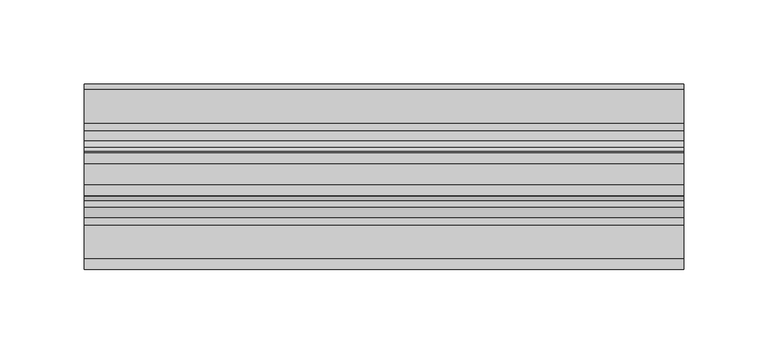
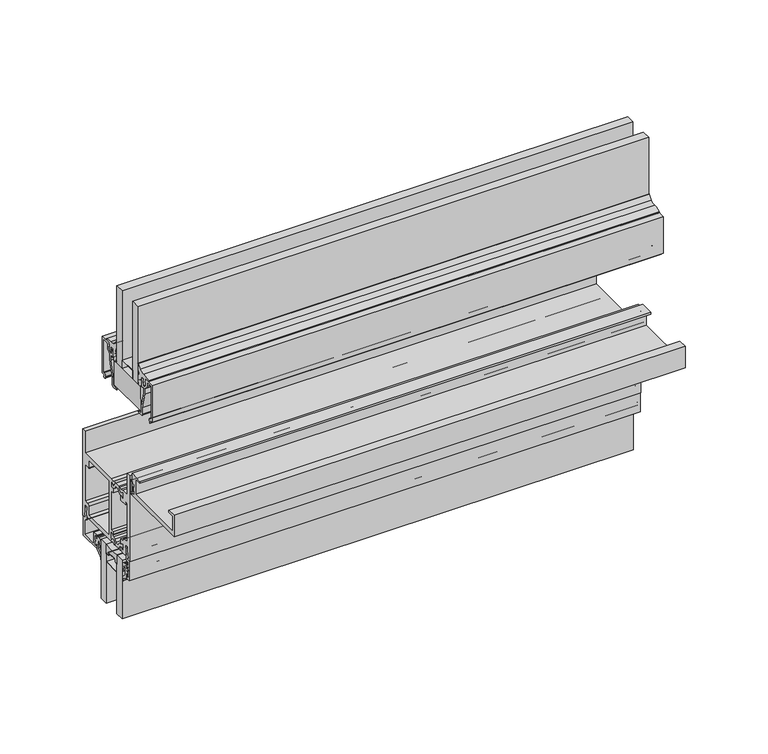
"""IFC4 building model written with IfcOpenShell, lengths in millimetres: plate geometry."""

from ifc_helpers import new_model, si_unit, point, frame, frame_2d, origin, place, context, project, spatial, polyline, circle_curve, trimmed, segment, composite_curve, outline, extrude, source, transform, mapped, element, save


def plate_f7a8684f(model_context):
    return source(origin(), model_context, "Body", "SweptSolid", [
        extrude(outline(composite_curve([segment(trimmed(circle_curve(frame_2d((-12.7, 252.348624)), 24.4943092), [point((-19.05, 228.6917289))], [point((-6.35, 228.6917289))], True, "CARTESIAN"), True, "CONTINUOUS"), segment(polyline([(-6.35, 228.6917289), (-6.35, 221.663957)]), True, "CONTINUOUS"), segment(trimmed(circle_curve(frame_2d((-7.14375, 221.663957)), 0.79375), [point((-6.35, 221.663957))], [point((-7.14375, 222.457707))], True, "CARTESIAN"), True, "CONTINUOUS"), segment(polyline([(-7.14375, 222.457707), (-8.3728775, 222.457707), (-8.3728775, 223.5556044)]), True, "CONTINUOUS"), segment(trimmed(circle_curve(frame_2d((-9.1666275, 223.5556044)), 0.79375), [point((-8.3728775, 223.5556044))], [point((-9.1666275, 224.3493544))], True, "CARTESIAN"), True, "CONTINUOUS"), segment(polyline([(-9.1666275, 224.3493544), (-16.2333725, 224.3493544)]), True, "CONTINUOUS"), segment(trimmed(circle_curve(frame_2d((-16.2333725, 223.5556044)), 0.79375), [point((-16.2333725, 224.3493544))], [point((-17.0271225, 223.5556044))], True, "CARTESIAN"), True, "CONTINUOUS"), segment(polyline([(-17.0271225, 223.5556044), (-17.0271225, 222.457707), (-18.25625, 222.457707)]), True, "CONTINUOUS"), segment(trimmed(circle_curve(frame_2d((-18.25625, 221.663957)), 0.79375), [point((-18.25625, 222.457707))], [point((-19.05, 221.663957))], True, "CARTESIAN"), True, "CONTINUOUS"), segment(polyline([(-19.05, 221.663957), (-19.05, 228.6917289)]), True, "CONTINUOUS")], self_intersect=False)), frame((-177.8, 0.0, 0.0), z_axis=(1.0, 0.0, 0.0), x_axis=(0.0, 1.0, 0.0)), (0.0, 0.0, 1.0), 355.6),
        extrude(outline(polyline([(-15.7276799, 352.0722153), (-47.5894399, 352.0722153), (-47.4776799, 369.5347153), (-15.7276799, 369.5347153), (-15.7276799, 352.0722153)])), frame((-177.8, 0.0, 0.0), z_axis=(1.0, 0.0, 0.0), x_axis=(0.0, 1.0, 0.0)), (0.0, 0.0, 1.0), 355.6),
        extrude(outline(composite_curve([segment(polyline([(-34.9514484, 293.1066499), (-34.9514484, 285.1817967)]), True, "CONTINUOUS"), segment(trimmed(circle_curve(frame_2d((-36.1452484, 285.1817967)), 1.1938), [point((-34.9514484, 285.1817967))], [point((-37.3390484, 285.1817967))], False, "CARTESIAN"), True, "CONTINUOUS"), segment(polyline([(-37.3390484, 285.1817967), (-37.3390484, 287.1879153), (-38.31675, 287.1879153), (-38.31675, 285.7147153), (-39.2186484, 285.7147153), (-39.2186484, 287.5689153), (-37.7962484, 287.5689153), (-37.7962484, 290.7185153), (-39.2186484, 290.7185153), (-39.2186484, 292.5727153), (-38.31675, 292.5727153), (-38.31675, 291.0995153), (-37.3390484, 291.0995153), (-37.3390484, 293.1066499)]), True, "CONTINUOUS"), segment(trimmed(circle_curve(frame_2d((-36.1452484, 293.1066499)), 1.1938), [point((-37.3390484, 293.1066499))], [point((-34.9514484, 293.1066499))], False, "CARTESIAN"), True, "CONTINUOUS")], self_intersect=False), holes=[composite_curve([segment(trimmed(circle_curve(frame_2d((-36.1452484, 293.1066499)), 0.6858), [point((-35.4594484, 293.1066499))], [point((-36.8310484, 293.1066499))], True, "CARTESIAN"), True, "CONTINUOUS"), segment(polyline([(-36.8310484, 293.1066499), (-36.8310484, 285.1817967)]), True, "CONTINUOUS"), segment(trimmed(circle_curve(frame_2d((-36.1452484, 285.1817967)), 0.6858), [point((-36.8310484, 285.1817967))], [point((-35.4594484, 285.1817967))], True, "CARTESIAN"), True, "CONTINUOUS"), segment(polyline([(-35.4594484, 285.1817967), (-35.4594484, 293.1066499)]), True, "CONTINUOUS")], self_intersect=False)]), frame((-177.8, 0.0, 0.0), z_axis=(1.0, 0.0, 0.0), x_axis=(0.0, 1.0, 0.0)), (0.0, 0.0, 1.0), 355.6),
        extrude(outline(polyline([(-37.9526799, 375.8847153), (-25.2526799, 375.8847153), (-25.2526799, 369.5347153), (-37.9526799, 369.5347153), (-37.9526799, 375.8847153)]), holes=[polyline([(-37.7314801, 375.6717755), (-37.7314801, 369.6999055), (-25.4526847, 369.6999055), (-25.4526847, 375.6717755), (-37.7314801, 375.6717755)])]), frame((-177.8, 0.0, 0.0), z_axis=(1.0, 0.0, 0.0), x_axis=(0.0, 1.0, 0.0)), (0.0, 0.0, 1.0), 355.6),
        extrude(outline(polyline([(-177.8, -25.2526799), (-177.8, -18.9026799), (177.8, -18.9026799), (177.8, -25.2526799), (-177.8, -25.2526799)])), frame((0.0, 0.0, 369.5347153), z_axis=(0.0, 0.0, 1.0), x_axis=(1.0, 0.0, 0.0)), (0.0, 0.0, 1.0), 57.15),
        extrude(outline(polyline([(-177.8, -44.3026799), (-177.8, -37.9526799), (177.8, -37.9526799), (177.8, -44.3026799), (-177.8, -44.3026799)])), frame((0.0, 0.0, 369.5347153), z_axis=(0.0, 0.0, 1.0), x_axis=(1.0, 0.0, 0.0)), (0.0, 0.0, 1.0), 57.15),
        extrude(outline(composite_curve([segment(trimmed(circle_curve(frame_2d((-13.6651999, 376.8225309)), 0.508), [point((-14.1731999, 376.8225309))], [point((-13.6651999, 377.3305309))], False, "CARTESIAN"), True, "CONTINUOUS"), segment(polyline([(-13.6651999, 377.3305309), (-12.4205999, 377.3305309), (-12.4205999, 376.5177309), (-13.2068092, 376.5177309), (-13.2068092, 375.7170136), (-12.4992779, 372.4938153), (-11.0235999, 372.4938153), (-9.1439999, 374.3663756), (-9.1439999, 376.4562153), (-10.0569374, 376.4562153), (-9.1417677, 379.0597153), (-1.4731999, 379.0597153), (-1.4731999, 352.0737406), (-3.9823329, 352.0737406), (-3.1851555, 350.6967979), (-3.8661393, 350.0158142)]), True, "CONTINUOUS"), segment(trimmed(circle_curve(frame_2d((-4.2232428, 350.3771189)), 0.508), [point((-3.8661393, 350.0158142))], [point((-4.7005125, 350.2031143))], False, "CARTESIAN"), True, "CONTINUOUS"), segment(polyline([(-4.7005125, 350.2031143), (-5.136331, 351.3985022)]), True, "CONTINUOUS"), segment(trimmed(circle_curve(frame_2d((-3.7761123, 351.8944153)), 1.4478), [point((-5.136331, 351.3985022))], [point((-3.7761123, 353.3422153))], False, "CARTESIAN"), True, "CONTINUOUS"), segment(polyline([(-3.7761123, 353.3422153), (-2.7431999, 353.3422153), (-2.7431999, 377.7897153), (-7.2389999, 377.7897153)]), True, "CONTINUOUS"), segment(trimmed(circle_curve(frame_2d((-7.2389999, 377.1547153)), 0.635), [point((-7.2389999, 377.7897153))], [point((-7.8739999, 377.1547153))], True, "CARTESIAN"), True, "CONTINUOUS"), segment(polyline([(-7.8739999, 377.1547153), (-7.8739999, 374.6354421)]), True, "CONTINUOUS"), segment(trimmed(circle_curve(frame_2d((-9.7789999, 374.6354421)), 1.905), [point((-7.8739999, 374.6354421))], [point((-8.4319614, 373.2884037))], False, "CARTESIAN"), True, "CONTINUOUS"), segment(polyline([(-8.4319614, 373.2884037), (-10.3632634, 371.3571018), (-10.3632634, 367.2949535), (-13.5573134, 355.5538035), (-13.5573134, 350.8784153)]), True, "CONTINUOUS"), segment(trimmed(circle_curve(frame_2d((-14.8273134, 350.8784153)), 1.27), [point((-13.5573134, 350.8784153))], [point((-14.8273134, 349.6084153))], False, "CARTESIAN"), True, "CONTINUOUS"), segment(polyline([(-14.8273134, 349.6084153), (-17.9959634, 349.6084153)]), True, "CONTINUOUS"), segment(trimmed(circle_curve(frame_2d((-17.9959634, 349.9894153)), 0.381), [point((-17.9959634, 349.6084153))], [point((-18.1152217, 350.3512695))], False, "CARTESIAN"), True, "CONTINUOUS"), segment(polyline([(-18.1152217, 350.3512695), (-14.8273134, 351.2340153), (-14.8273134, 355.7234653), (-11.6332634, 367.4646153), (-11.6332634, 371.4754927), (-13.2079999, 371.4754927), (-13.2079999, 370.6650153)]), True, "CONTINUOUS"), segment(trimmed(circle_curve(frame_2d((-13.2079999, 371.6302153)), 0.9652), [point((-13.2079999, 370.6650153))], [point((-14.1731999, 371.6302153))], False, "CARTESIAN"), True, "CONTINUOUS"), segment(polyline([(-14.1731999, 371.6302153), (-14.1731999, 376.8225309)]), True, "CONTINUOUS")], self_intersect=False)), frame((-177.8, 0.0, 0.0), z_axis=(1.0, 0.0, 0.0), x_axis=(0.0, 1.0, 0.0)), (0.0, 0.0, 1.0), 355.6),
        extrude(outline(composite_curve([segment(polyline([(-49.0321599, 376.8225309), (-49.0321599, 371.6302153)]), True, "CONTINUOUS"), segment(trimmed(circle_curve(frame_2d((-49.9973599, 371.6302153)), 0.9652), [point((-49.0321599, 371.6302153))], [point((-49.9973599, 370.6650153))], False, "CARTESIAN"), True, "CONTINUOUS"), segment(polyline([(-49.9973599, 370.6650153), (-49.9973599, 371.4754927), (-51.5720964, 371.4754927), (-51.5720964, 367.4646153), (-48.3780464, 355.7234653), (-48.3780464, 351.2340153), (-45.090138, 350.3512695)]), True, "CONTINUOUS"), segment(trimmed(circle_curve(frame_2d((-45.2093964, 349.9894153)), 0.381), [point((-45.090138, 350.3512695))], [point((-45.2093964, 349.6084153))], False, "CARTESIAN"), True, "CONTINUOUS"), segment(polyline([(-45.2093964, 349.6084153), (-48.3780464, 349.6084153)]), True, "CONTINUOUS"), segment(trimmed(circle_curve(frame_2d((-48.3780464, 350.8784153)), 1.27), [point((-48.3780464, 349.6084153))], [point((-49.6480464, 350.8784153))], False, "CARTESIAN"), True, "CONTINUOUS"), segment(polyline([(-49.6480464, 350.8784153), (-49.6480464, 355.5538035), (-52.8420964, 367.2949535), (-52.8420964, 371.3571018), (-54.7733983, 373.2884037)]), True, "CONTINUOUS"), segment(trimmed(circle_curve(frame_2d((-53.4263599, 374.6354421)), 1.905), [point((-54.7733983, 373.2884037))], [point((-55.3313599, 374.6354421))], False, "CARTESIAN"), True, "CONTINUOUS"), segment(polyline([(-55.3313599, 374.6354421), (-55.3313599, 377.1547153)]), True, "CONTINUOUS"), segment(trimmed(circle_curve(frame_2d((-55.9663599, 377.1547153)), 0.635), [point((-55.3313599, 377.1547153))], [point((-55.9663599, 377.7897153))], True, "CARTESIAN"), True, "CONTINUOUS"), segment(polyline([(-55.9663599, 377.7897153), (-60.4621599, 377.7897153), (-60.4621599, 353.3422153), (-59.4292474, 353.3422153)]), True, "CONTINUOUS"), segment(trimmed(circle_curve(frame_2d((-59.4292474, 351.8944153)), 1.4478), [point((-59.4292474, 353.3422153))], [point((-58.0690287, 351.3985022))], False, "CARTESIAN"), True, "CONTINUOUS"), segment(polyline([(-58.0690287, 351.3985022), (-58.5048472, 350.2031143)]), True, "CONTINUOUS"), segment(trimmed(circle_curve(frame_2d((-58.982117, 350.3771189)), 0.508), [point((-58.5048472, 350.2031143))], [point((-59.3392204, 350.0158142))], False, "CARTESIAN"), True, "CONTINUOUS"), segment(polyline([(-59.3392204, 350.0158142), (-60.0202042, 350.6967979), (-59.2230268, 352.0737406), (-61.7321599, 352.0737406), (-61.7321599, 379.0597153), (-54.063592, 379.0597153), (-53.1484223, 376.4562153), (-54.0613599, 376.4562153), (-54.0613599, 374.3663756), (-52.1817599, 372.4938153), (-50.7060818, 372.4938153), (-49.9985505, 375.7170136), (-49.9985505, 376.5177309), (-50.7847599, 376.5177309), (-50.7847599, 377.3305309), (-49.5401599, 377.3305309)]), True, "CONTINUOUS"), segment(trimmed(circle_curve(frame_2d((-49.5401599, 376.8225309)), 0.508), [point((-49.5401599, 377.3305309))], [point((-49.0321599, 376.8225309))], False, "CARTESIAN"), True, "CONTINUOUS")], self_intersect=False)), frame((-177.8, 0.0, 0.0), z_axis=(1.0, 0.0, 0.0), x_axis=(0.0, 1.0, 0.0)), (0.0, 0.0, 1.0), 355.6),
        extrude(outline(composite_curve([segment(trimmed(circle_curve(frame_2d((-28.4481661, 374.5867579)), 11.8511576), [point((-16.8958445, 377.2313378))], [point((-17.4519801, 379.0064672))], True, "CARTESIAN"), True, "CONTINUOUS"), segment(polyline([(-17.4519801, 379.0064672), (-18.4299611, 380.528582)]), True, "CONTINUOUS"), segment(trimmed(circle_curve(frame_2d((-16.8225569, 381.7608857)), 2.0254186), [point((-18.4299611, 380.528582))], [point((-18.8453216, 381.6572349))], False, "CARTESIAN"), True, "CONTINUOUS"), segment(polyline([(-18.8453216, 381.6572349), (-18.8854469, 384.9398531)]), True, "CONTINUOUS"), segment(trimmed(circle_curve(frame_2d((-18.4885719, 384.9398531)), 0.396875), [point((-18.8854469, 384.9398531))], [point((-18.2267159, 385.2380832))], False, "CARTESIAN"), True, "CONTINUOUS"), segment(polyline([(-18.2267159, 385.2380832), (-15.799611, 382.4201915)]), True, "CONTINUOUS"), segment(trimmed(circle_curve(frame_2d((-12.5240284, 385.8820309)), 4.765897), [point((-15.799611, 382.4201915))], [point((-11.8985378, 381.1573579))], True, "CARTESIAN"), True, "CONTINUOUS"), segment(trimmed(circle_curve(frame_2d((-11.5246073, 368.9668204)), 12.196271), [point((-11.8985378, 381.1573579))], [point((-6.0059562, 379.8431028))], False, "CARTESIAN"), True, "CONTINUOUS"), segment(polyline([(-6.0059562, 379.8431028), (-5.7496564, 379.0554604), (-7.6687501, 379.1311821), (-9.2931528, 379.0012681), (-10.1545373, 376.2948547), (-9.3686823, 376.1701754), (-10.2392565, 375.1755258), (-9.4887146, 374.9366468), (-10.9893863, 373.1755062), (-12.6224939, 374.6122187), (-11.8406254, 375.1533533), (-12.6690337, 376.0998275), (-11.6936669, 376.2217125), (-12.2509631, 377.5835919), (-14.1139708, 377.5835919), (-14.1139708, 375.1527405)]), True, "CONTINUOUS"), segment(trimmed(circle_curve(frame_2d((-31.5769474, 376.4603355)), 17.5118633), [point((-14.1139708, 375.1527405))], [point((-15.1612753, 370.3618876))], False, "CARTESIAN"), True, "CONTINUOUS"), segment(trimmed(circle_curve(frame_2d((-16.4644062, 370.8573418)), 1.3941395), [point((-15.1612753, 370.3618876))], [point((-17.7675371, 370.3618876))], False, "CARTESIAN"), True, "CONTINUOUS"), segment(trimmed(circle_curve(frame_2d((0.2712904, 376.9366907)), 19.1996701), [point((-17.7675371, 370.3618876))], [point((-18.8453216, 375.1527405))], False, "CARTESIAN"), True, "CONTINUOUS"), segment(polyline([(-18.8453216, 375.1527405), (-18.8453216, 378.5625793)]), True, "CONTINUOUS"), segment(trimmed(circle_curve(frame_2d((-18.5228363, 378.5509624)), 0.3226944), [point((-18.8453216, 378.5625793))], [point((-18.2140666, 378.4571917))], False, "CARTESIAN"), True, "CONTINUOUS"), segment(polyline([(-18.2140666, 378.4571917), (-17.1362265, 374.4176171)]), True, "CONTINUOUS"), segment(trimmed(circle_curve(frame_2d((-16.8421637, 374.5499125)), 0.3224516), [point((-17.1362265, 374.4176171))], [point((-16.5228912, 374.5950802))], True, "CARTESIAN"), True, "CONTINUOUS"), segment(polyline([(-16.5228912, 374.5950802), (-16.8958445, 377.2313378)]), True, "CONTINUOUS")], self_intersect=False)), frame((-177.8, 0.0, 0.0), z_axis=(1.0, 0.0, 0.0), x_axis=(0.0, 1.0, 0.0)), (0.0, 0.0, 1.0), 355.6),
        extrude(outline(composite_curve([segment(polyline([(-46.2824971, 377.2313378), (-46.6554504, 374.5950802)]), True, "CONTINUOUS"), segment(trimmed(circle_curve(frame_2d((-46.3361779, 374.5499125)), 0.3224516), [point((-46.6554504, 374.5950802))], [point((-46.042115, 374.4176171))], True, "CARTESIAN"), True, "CONTINUOUS"), segment(polyline([(-46.042115, 374.4176171), (-44.964275, 378.4571917)]), True, "CONTINUOUS"), segment(trimmed(circle_curve(frame_2d((-44.6555052, 378.5509624)), 0.3226944), [point((-44.964275, 378.4571917))], [point((-44.33302, 378.5625793))], False, "CARTESIAN"), True, "CONTINUOUS"), segment(polyline([(-44.33302, 378.5625793), (-44.33302, 375.1527405)]), True, "CONTINUOUS"), segment(trimmed(circle_curve(frame_2d((-63.4496319, 376.9366907)), 19.1996701), [point((-44.33302, 375.1527405))], [point((-45.4108045, 370.3618876))], False, "CARTESIAN"), True, "CONTINUOUS"), segment(trimmed(circle_curve(frame_2d((-46.7139354, 370.8573418)), 1.3941395), [point((-45.4108045, 370.3618876))], [point((-48.0170662, 370.3618876))], False, "CARTESIAN"), True, "CONTINUOUS"), segment(trimmed(circle_curve(frame_2d((-31.6013942, 376.4603355)), 17.5118633), [point((-48.0170662, 370.3618876))], [point((-49.0643708, 375.1527405))], False, "CARTESIAN"), True, "CONTINUOUS"), segment(polyline([(-49.0643708, 375.1527405), (-49.0643708, 377.5835919), (-50.9273784, 377.5835919), (-51.4846746, 376.2217125), (-50.5093079, 376.0998275), (-51.3377162, 375.1533533), (-50.5558476, 374.6122187), (-52.1889552, 373.1755062), (-53.689627, 374.9366468), (-52.939085, 375.1755258), (-53.8096592, 376.1701754), (-53.0238043, 376.2948547), (-53.8851888, 379.0012681), (-55.5095914, 379.1311821), (-57.4286851, 379.0554604), (-57.1723854, 379.8431028)]), True, "CONTINUOUS"), segment(trimmed(circle_curve(frame_2d((-51.6537343, 368.9668204)), 12.196271), [point((-57.1723854, 379.8431028))], [point((-51.2798038, 381.1573579))], False, "CARTESIAN"), True, "CONTINUOUS"), segment(trimmed(circle_curve(frame_2d((-50.6543132, 385.8820309)), 4.765897), [point((-51.2798038, 381.1573579))], [point((-47.3787305, 382.4201915))], True, "CARTESIAN"), True, "CONTINUOUS"), segment(polyline([(-47.3787305, 382.4201915), (-44.9516257, 385.2380832)]), True, "CONTINUOUS"), segment(trimmed(circle_curve(frame_2d((-44.6897696, 384.9398531)), 0.396875), [point((-44.9516257, 385.2380832))], [point((-44.2928946, 384.9398531))], False, "CARTESIAN"), True, "CONTINUOUS"), segment(polyline([(-44.2928946, 384.9398531), (-44.33302, 381.6572349)]), True, "CONTINUOUS"), segment(trimmed(circle_curve(frame_2d((-46.3557847, 381.7608857)), 2.0254186), [point((-44.33302, 381.6572349))], [point((-44.7483805, 380.528582))], False, "CARTESIAN"), True, "CONTINUOUS"), segment(polyline([(-44.7483805, 380.528582), (-45.7263615, 379.0064672)]), True, "CONTINUOUS"), segment(trimmed(circle_curve(frame_2d((-34.7301755, 374.5867579)), 11.8511576), [point((-45.7263615, 379.0064672))], [point((-46.2824971, 377.2313378))], True, "CARTESIAN"), True, "CONTINUOUS")], self_intersect=False)), frame((-177.8, 0.0, 0.0), z_axis=(1.0, 0.0, 0.0), x_axis=(0.0, 1.0, 0.0)), (0.0, 0.0, 1.0), 355.6),
        extrude(outline(polyline([(-15.7276799, 369.5347153), (-15.7276799, 352.0722153), (-47.5894399, 352.0722153), (-47.4776799, 369.5347153), (-15.7276799, 369.5347153)])), frame((-177.8, 0.0, 0.0), z_axis=(1.0, 0.0, 0.0), x_axis=(0.0, 1.0, 0.0)), (0.0, 0.0, 1.0), 355.6),
        extrude(outline(polyline([(-177.8, -6.35), (-177.8, 0.0), (177.8, 0.0), (177.8, -6.35), (-177.8, -6.35)])), frame((0.0, 0.0, 185.3847153), z_axis=(0.0, 0.0, 1.0), x_axis=(1.0, 0.0, 0.0)), (0.0, 0.0, 1.0), 43.3070136),
        extrude(outline(polyline([(-177.8, -25.4), (-177.8, -19.05), (177.8, -19.05), (177.8, -25.4), (-177.8, -25.4)])), frame((0.0, 0.0, 185.3847153), z_axis=(0.0, 0.0, 1.0), x_axis=(1.0, 0.0, 0.0)), (0.0, 0.0, 1.0), 43.3070136),
        extrude(outline(composite_curve([segment(polyline([(1.2146236, 217.7547881), (3.6195019, 220.0298082), (3.6195019, 223.3964394)]), True, "CONTINUOUS"), segment(trimmed(circle_curve(frame_2d((3.9370017, 223.7514153)), 0.47625), [point((3.6195019, 223.3964394))], [point((3.619501, 224.1063905))], True, "CARTESIAN"), True, "CONTINUOUS"), segment(polyline([(3.619501, 224.1063905), (3.619501, 225.6894264)]), True, "CONTINUOUS"), segment(trimmed(circle_curve(frame_2d((3.1116463, 224.2840488)), 1.4943235), [point((3.619501, 225.6894264))], [point((1.6174209, 224.301171))], True, "CARTESIAN"), True, "CONTINUOUS"), segment(polyline([(1.6174209, 224.301171), (0.5798898, 220.9663861)]), True, "CONTINUOUS"), segment(trimmed(circle_curve(frame_2d((0.2963183, 221.0546119)), 0.2969791), [point((0.5798898, 220.9663861))], [point((0.0, 221.0348119))], False, "CARTESIAN"), True, "CONTINUOUS"), segment(polyline([(0.0, 221.0348119), (0.0, 225.0824819)]), True, "CONTINUOUS"), segment(trimmed(circle_curve(frame_2d((2.8819649, 225.2349635)), 2.8859959), [point((0.0, 225.0824819))], [point((2.7993723, 228.1197774))], False, "CARTESIAN"), True, "CONTINUOUS"), segment(polyline([(2.7993723, 228.1197774), (3.619501, 228.1432578), (4.7625003, 228.1432578), (4.7625003, 225.2246164), (6.1341013, 225.2246164), (6.1341013, 226.5374454)]), True, "CONTINUOUS"), segment(trimmed(circle_curve(frame_2d((6.4896997, 226.8248149)), 0.4571996), [point((6.1341013, 226.5374454))], [point((6.9468994, 226.8248149))], False, "CARTESIAN"), True, "CONTINUOUS"), segment(polyline([(6.9468994, 226.8248149), (6.9468994, 224.7570221)]), True, "CONTINUOUS"), segment(trimmed(circle_curve(frame_2d((6.4706494, 224.7065795)), 0.4789139), [point((6.9468994, 224.7570221))], [point((6.4706494, 224.2276656))], False, "CARTESIAN"), True, "CONTINUOUS"), segment(trimmed(circle_curve(frame_2d((6.4706494, 223.7514156)), 0.47625), [point((6.4706494, 224.2276656))], [point((6.4706494, 223.2751656))], True, "CARTESIAN"), True, "CONTINUOUS"), segment(trimmed(circle_curve(frame_2d((6.3248962, 222.6704806)), 0.6220032), [point((6.4706494, 223.2751656))], [point((6.9468994, 222.6704806))], False, "CARTESIAN"), True, "CONTINUOUS"), segment(polyline([(6.9468994, 222.6704806), (6.9468994, 220.6780162)]), True, "CONTINUOUS"), segment(trimmed(circle_curve(frame_2d((6.4896997, 220.6780162)), 0.4571996), [point((6.9468994, 220.6780162))], [point((6.134102, 220.9653866))], False, "CARTESIAN"), True, "CONTINUOUS"), segment(polyline([(6.134102, 220.9653866), (6.134102, 222.2782299), (4.7625003, 222.2782299), (4.7625003, 218.4065425), (1.4889495, 215.9053304)]), True, "CONTINUOUS"), segment(trimmed(circle_curve(frame_2d((3.0879023, 213.93243)), 2.5394854), [point((1.4889495, 215.9053304))], [point((0.5496136, 213.8544755))], True, "CARTESIAN"), True, "CONTINUOUS"), segment(trimmed(circle_curve(frame_2d((0.2748716, 213.8460377)), 0.2748716), [point((0.5496136, 213.8544755))], [point((0.0, 213.8460377))], False, "CARTESIAN"), True, "CONTINUOUS"), segment(polyline([(0.0, 213.8460377), (0.0, 215.5592614)]), True, "CONTINUOUS"), segment(trimmed(circle_curve(frame_2d((3.0412561, 215.3105023)), 3.0514128), [point((0.0, 215.5592614))], [point((1.2146236, 217.7547881))], False, "CARTESIAN"), True, "CONTINUOUS")], self_intersect=False)), frame((-177.8, 0.0, 0.0), z_axis=(1.0, 0.0, 0.0), x_axis=(0.0, 1.0, 0.0)), (0.0, 0.0, 1.0), 355.6),
        extrude(outline(composite_curve([segment(trimmed(circle_curve(frame_2d((-28.4412561, 215.3105023)), 3.0514128), [point((-26.6146236, 217.7547881))], [point((-25.4, 215.5592614))], False, "CARTESIAN"), True, "CONTINUOUS"), segment(polyline([(-25.4, 215.5592614), (-25.4, 213.8460377)]), True, "CONTINUOUS"), segment(trimmed(circle_curve(frame_2d((-25.6748716, 213.8460377)), 0.2748716), [point((-25.4, 213.8460377))], [point((-25.9496136, 213.8544755))], False, "CARTESIAN"), True, "CONTINUOUS"), segment(trimmed(circle_curve(frame_2d((-28.4879023, 213.93243)), 2.5394854), [point((-25.9496136, 213.8544755))], [point((-26.8889495, 215.9053304))], True, "CARTESIAN"), True, "CONTINUOUS"), segment(polyline([(-26.8889495, 215.9053304), (-30.1625003, 218.4065425), (-30.1625003, 222.2782299), (-31.534102, 222.2782299), (-31.534102, 220.9653866)]), True, "CONTINUOUS"), segment(trimmed(circle_curve(frame_2d((-31.8896997, 220.6780162)), 0.4571996), [point((-31.534102, 220.9653866))], [point((-32.3468994, 220.6780162))], False, "CARTESIAN"), True, "CONTINUOUS"), segment(polyline([(-32.3468994, 220.6780162), (-32.3468994, 222.6704806)]), True, "CONTINUOUS"), segment(trimmed(circle_curve(frame_2d((-31.7248962, 222.6704806)), 0.6220032), [point((-32.3468994, 222.6704806))], [point((-31.8706494, 223.2751656))], False, "CARTESIAN"), True, "CONTINUOUS"), segment(trimmed(circle_curve(frame_2d((-31.8706494, 223.7514156)), 0.47625), [point((-31.8706494, 223.2751656))], [point((-31.8706494, 224.2276656))], True, "CARTESIAN"), True, "CONTINUOUS"), segment(trimmed(circle_curve(frame_2d((-31.8706494, 224.7065795)), 0.4789139), [point((-31.8706494, 224.2276656))], [point((-32.3468994, 224.7570221))], False, "CARTESIAN"), True, "CONTINUOUS"), segment(polyline([(-32.3468994, 224.7570221), (-32.3468994, 226.8248149)]), True, "CONTINUOUS"), segment(trimmed(circle_curve(frame_2d((-31.8896997, 226.8248149)), 0.4571996), [point((-32.3468994, 226.8248149))], [point((-31.5341013, 226.5374454))], False, "CARTESIAN"), True, "CONTINUOUS"), segment(polyline([(-31.5341013, 226.5374454), (-31.5341013, 225.2246164), (-30.1625, 225.2246164), (-30.1625, 228.1432578), (-29.019501, 228.1432578), (-28.1993723, 228.1197774)]), True, "CONTINUOUS"), segment(trimmed(circle_curve(frame_2d((-28.2819649, 225.2349635)), 2.8859959), [point((-28.1993723, 228.1197774))], [point((-25.4, 225.0824819))], False, "CARTESIAN"), True, "CONTINUOUS"), segment(polyline([(-25.4, 225.0824819), (-25.4, 221.0348119)]), True, "CONTINUOUS"), segment(trimmed(circle_curve(frame_2d((-25.6963183, 221.0546119)), 0.2969791), [point((-25.4, 221.0348119))], [point((-25.9798898, 220.9663861))], False, "CARTESIAN"), True, "CONTINUOUS"), segment(polyline([(-25.9798898, 220.9663861), (-27.0174209, 224.301171)]), True, "CONTINUOUS"), segment(trimmed(circle_curve(frame_2d((-28.5116463, 224.2840488)), 1.4943235), [point((-27.0174209, 224.301171))], [point((-29.019501, 225.6894264))], True, "CARTESIAN"), True, "CONTINUOUS"), segment(polyline([(-29.019501, 225.6894264), (-29.019501, 224.1063905)]), True, "CONTINUOUS"), segment(trimmed(circle_curve(frame_2d((-29.3370017, 223.7514153)), 0.47625), [point((-29.019501, 224.1063905))], [point((-29.0195019, 223.3964394))], True, "CARTESIAN"), True, "CONTINUOUS"), segment(polyline([(-29.0195019, 223.3964394), (-29.0195019, 220.0298082), (-26.6146236, 217.7547881)]), True, "CONTINUOUS")], self_intersect=False)), frame((-177.8, 0.0, 0.0), z_axis=(1.0, 0.0, 0.0), x_axis=(0.0, 1.0, 0.0)), (0.0, 0.0, 1.0), 355.6),
        extrude(outline(composite_curve([segment(trimmed(circle_curve(frame_2d((19.0500001, 234.7414348)), 1.4732), [point((17.5768001, 234.7414348))], [point((18.2080195, 235.9503131))], False, "CARTESIAN"), True, "CONTINUOUS"), segment(polyline([(18.2080195, 235.9503131), (17.0960031, 242.0744148), (18.4105948, 242.0744148), (19.7607074, 234.6405968), (18.9879884, 234.7500377), (18.9879884, 233.0353133), (21.4376001, 232.9050148), (21.4376001, 218.6302148), (4.9022001, 218.6302148), (4.7752001, 220.6622148)]), True, "CONTINUOUS"), segment(trimmed(circle_curve(frame_2d((5.5881395, 220.6621578)), 0.8129393), [point((4.7752001, 220.6622148))], [point((5.7899301, 221.4496544))], False, "CARTESIAN"), True, "CONTINUOUS"), segment(polyline([(5.7899301, 221.4496544), (5.7899301, 219.9002148), (7.1628001, 219.9002148), (7.1628001, 227.3932148), (5.7899301, 227.3932148), (5.7899301, 225.8437751)]), True, "CONTINUOUS"), segment(trimmed(circle_curve(frame_2d((5.5881398, 226.6312721)), 0.8129397), [point((5.7899301, 225.8437751))], [point((4.7752001, 226.6312721))], False, "CARTESIAN"), True, "CONTINUOUS"), segment(polyline([(4.7752001, 226.6312721), (4.7752001, 228.6632148), (8.7376001, 228.6632148), (8.7376001, 220.1034148), (19.9644001, 220.1034148), (19.9644001, 231.5588148), (19.0500001, 231.5588148)]), True, "CONTINUOUS"), segment(trimmed(circle_curve(frame_2d((19.0500001, 233.0320148)), 1.4732), [point((19.0500001, 231.5588148))], [point((17.5768001, 233.0320148))], False, "CARTESIAN"), True, "CONTINUOUS"), segment(polyline([(17.5768001, 233.0320148), (17.5768001, 234.7414348)]), True, "CONTINUOUS")], self_intersect=False)), frame((-177.8, 0.0, 0.0), z_axis=(1.0, 0.0, 0.0), x_axis=(0.0, 1.0, 0.0)), (0.0, 0.0, 1.0), 355.6),
        extrude(outline(composite_curve([segment(polyline([(-8.3728775, 223.5556044), (-8.3728775, 222.457707), (-7.14375, 222.457707)]), True, "CONTINUOUS"), segment(trimmed(circle_curve(frame_2d((-7.14375, 221.663957)), 0.79375), [point((-7.14375, 222.457707))], [point((-6.35, 221.663957))], False, "CARTESIAN"), True, "CONTINUOUS"), segment(polyline([(-6.35, 221.663957), (-6.35, 216.7854789)]), True, "CONTINUOUS"), segment(trimmed(circle_curve(frame_2d((-7.14375, 216.7854789)), 0.79375), [point((-6.35, 216.7854789))], [point((-7.14375, 215.9917289))], False, "CARTESIAN"), True, "CONTINUOUS"), segment(polyline([(-7.14375, 215.9917289), (-18.25625, 215.9917289)]), True, "CONTINUOUS"), segment(trimmed(circle_curve(frame_2d((-18.25625, 216.7854789)), 0.79375), [point((-18.25625, 215.9917289))], [point((-19.05, 216.7854789))], False, "CARTESIAN"), True, "CONTINUOUS"), segment(polyline([(-19.05, 216.7854789), (-19.05, 221.663957)]), True, "CONTINUOUS"), segment(trimmed(circle_curve(frame_2d((-18.25625, 221.663957)), 0.79375), [point((-19.05, 221.663957))], [point((-18.25625, 222.457707))], False, "CARTESIAN"), True, "CONTINUOUS"), segment(polyline([(-18.25625, 222.457707), (-17.0271225, 222.457707), (-17.0271225, 223.5556044)]), True, "CONTINUOUS"), segment(trimmed(circle_curve(frame_2d((-16.2333725, 223.5556044)), 0.79375), [point((-17.0271225, 223.5556044))], [point((-16.2333725, 224.3493544))], False, "CARTESIAN"), True, "CONTINUOUS"), segment(polyline([(-16.2333725, 224.3493544), (-9.1666275, 224.3493544)]), True, "CONTINUOUS"), segment(trimmed(circle_curve(frame_2d((-9.1666275, 223.5556044)), 0.79375), [point((-9.1666275, 224.3493544))], [point((-8.3728775, 223.5556044))], False, "CARTESIAN"), True, "CONTINUOUS")], self_intersect=False), holes=[composite_curve([segment(polyline([(-16.5191225, 223.8413544), (-16.5191225, 222.743457)]), True, "CONTINUOUS"), segment(trimmed(circle_curve(frame_2d((-17.3128725, 222.743457)), 0.79375), [point((-16.5191225, 222.743457))], [point((-17.3128725, 221.949707))], False, "CARTESIAN"), True, "CONTINUOUS"), segment(polyline([(-17.3128725, 221.949707), (-18.542, 221.949707), (-18.542, 216.4997289), (-6.858, 216.4997289), (-6.858, 221.949707), (-8.0871275, 221.949707)]), True, "CONTINUOUS"), segment(trimmed(circle_curve(frame_2d((-8.0871275, 222.743457)), 0.79375), [point((-8.0871275, 221.949707))], [point((-8.8808775, 222.743457))], False, "CARTESIAN"), True, "CONTINUOUS"), segment(polyline([(-8.8808775, 222.743457), (-8.8808775, 223.8413544), (-16.5191225, 223.8413544)]), True, "CONTINUOUS")], self_intersect=False)]), frame((-177.8, 0.0, 0.0), z_axis=(1.0, 0.0, 0.0), x_axis=(0.0, 1.0, 0.0)), (0.0, 0.0, 1.0), 355.6),
        extrude(outline(composite_curve([segment(polyline([(-34.1276564, 218.7349153), (-34.0673249, 232.9997986), (-31.6471876, 232.9997986), (-31.6471876, 234.631996), (-32.4372227, 234.5209638), (-31.0981976, 241.9539199), (-29.8175355, 241.8307794), (-30.9128526, 235.7506519)]), True, "CONTINUOUS"), segment(trimmed(circle_curve(frame_2d((-31.7464064, 234.5359477)), 1.4732), [point((-30.9128526, 235.7506519))], [point((-30.2732064, 234.5359477))], False, "CARTESIAN"), True, "CONTINUOUS"), segment(polyline([(-30.2732064, 234.5359477), (-30.2732064, 233.0224153)]), True, "CONTINUOUS"), segment(trimmed(circle_curve(frame_2d((-31.7464064, 233.0224153)), 1.4732), [point((-30.2732064, 233.0224153))], [point((-31.7464064, 231.5492153))], False, "CARTESIAN"), True, "CONTINUOUS"), segment(polyline([(-31.7464064, 231.5492153), (-32.6544564, 231.5492153), (-32.6544564, 228.7679153), (-30.1589064, 228.7679153), (-30.1589064, 226.7486153)]), True, "CONTINUOUS"), segment(trimmed(circle_curve(frame_2d((-30.9717064, 226.7486153)), 0.8128), [point((-30.1589064, 226.7486153))], [point((-31.1749064, 225.9616251))], False, "CARTESIAN"), True, "CONTINUOUS"), segment(polyline([(-31.1749064, 225.9616251), (-31.1749064, 227.4979153), (-32.5401564, 227.4979153), (-32.5401564, 220.0049153), (-31.1749064, 220.0049153), (-31.1749064, 221.5666055)]), True, "CONTINUOUS"), segment(trimmed(circle_curve(frame_2d((-30.9717064, 220.7796153)), 0.8128), [point((-31.1749064, 221.5666055))], [point((-30.1589064, 220.7796153))], False, "CARTESIAN"), True, "CONTINUOUS"), segment(polyline([(-30.1589064, 220.7796153), (-30.2859064, 218.7349153), (-34.1276564, 218.7349153)]), True, "CONTINUOUS")], self_intersect=False)), frame((-177.8, 0.0, 0.0), z_axis=(1.0, 0.0, 0.0), x_axis=(0.0, 1.0, 0.0)), (0.0, 0.0, 1.0), 355.6),
        extrude(outline(composite_curve([segment(trimmed(circle_curve(frame_2d((19.0500001, 234.7414348)), 1.4732), [point((17.5768001, 234.7414348))], [point((18.2080195, 235.9503131))], False, "CARTESIAN"), True, "CONTINUOUS"), segment(polyline([(18.2080195, 235.9503131), (17.0960031, 242.0744148), (18.4105948, 242.0744148), (19.7607074, 234.6405968), (18.9879884, 234.7500377), (18.9879884, 233.0353133), (21.4376001, 232.9050148), (21.4376001, 218.6302148), (4.9022001, 218.6302148), (4.7752001, 220.6622148)]), True, "CONTINUOUS"), segment(trimmed(circle_curve(frame_2d((5.5881395, 220.6621578)), 0.8129393), [point((4.7752001, 220.6622148))], [point((5.7899301, 221.4496544))], False, "CARTESIAN"), True, "CONTINUOUS"), segment(polyline([(5.7899301, 221.4496544), (5.7899301, 219.9002148), (7.1628001, 219.9002148), (7.1628001, 227.3932148), (5.7899301, 227.3932148), (5.7899301, 225.8437751)]), True, "CONTINUOUS"), segment(trimmed(circle_curve(frame_2d((5.5881398, 226.6312721)), 0.8129397), [point((5.7899301, 225.8437751))], [point((4.7752001, 226.6312721))], False, "CARTESIAN"), True, "CONTINUOUS"), segment(polyline([(4.7752001, 226.6312721), (4.7752001, 228.6632148), (8.7376001, 228.6632148), (8.7376001, 220.1034148), (19.9644001, 220.1034148), (19.9644001, 231.5588148), (19.0500001, 231.5588148)]), True, "CONTINUOUS"), segment(trimmed(circle_curve(frame_2d((19.0500001, 233.0320148)), 1.4732), [point((19.0500001, 231.5588148))], [point((17.5768001, 233.0320148))], False, "CARTESIAN"), True, "CONTINUOUS"), segment(polyline([(17.5768001, 233.0320148), (17.5768001, 234.7414348)]), True, "CONTINUOUS")], self_intersect=False)), frame((-177.8, 0.0, 0.0), z_axis=(1.0, 0.0, 0.0), x_axis=(0.0, 1.0, 0.0)), (0.0, 0.0, 1.0), 355.6),
        extrude(outline(composite_curve([segment(trimmed(circle_curve(frame_2d((-37.73499, 291.8615153)), 0.4318), [point((-37.30319, 291.8615153))], [point((-38.1346289, 292.0250391))], False, "CARTESIAN"), True, "CONTINUOUS"), segment(trimmed(circle_curve(frame_2d((-38.7116898, 292.2611602)), 0.6235002), [point((-38.1346289, 292.0250391))], [point((-39.33519, 292.2611602))], True, "CARTESIAN"), True, "CONTINUOUS"), segment(polyline([(-39.33519, 292.2611602), (-39.33519, 285.9687153)]), True, "CONTINUOUS"), segment(trimmed(circle_curve(frame_2d((-38.7222466, 286.0627884)), 0.6201205), [point((-39.33519, 285.9687153))], [point((-38.1402463, 286.2768563))], True, "CARTESIAN"), True, "CONTINUOUS"), segment(trimmed(circle_curve(frame_2d((-37.73499, 286.4259153)), 0.4318), [point((-38.1402463, 286.2768563))], [point((-37.30319, 286.4259153))], False, "CARTESIAN"), True, "CONTINUOUS"), segment(polyline([(-37.30319, 286.4259153), (-37.30319, 284.5971153)]), True, "CONTINUOUS"), segment(trimmed(circle_curve(frame_2d((-38.09059, 284.5971153)), 0.7874), [point((-37.30319, 284.5971153))], [point((-38.09059, 283.8097153))], False, "CARTESIAN"), True, "CONTINUOUS"), segment(polyline([(-38.09059, 283.8097153), (-88.1032275, 283.8097153), (-88.1032275, 299.6847153), (-81.7532275, 299.5739713), (-81.7532275, 298.1099153), (-86.5284275, 298.1099153), (-86.5284275, 286.9847153), (-41.5196275, 286.9847153), (-41.5196275, 298.1099153), (-46.8282275, 298.1099153), (-46.8282275, 299.5183453), (-37.30319, 299.6847153), (-37.30319, 291.8615153)]), True, "CONTINUOUS")], self_intersect=False)), frame((-177.8, 0.0, 0.0), z_axis=(1.0, 0.0, 0.0), x_axis=(0.0, 1.0, 0.0)), (0.0, 0.0, 1.0), 355.6),
        extrude(outline(composite_curve([segment(polyline([(19.0500001, 280.6474153), (19.0500001, 296.5224153), (21.8948001, 296.5224153), (21.8948001, 233.0224153), (19.0500001, 233.0224153), (19.0500001, 234.2924153), (19.862795, 234.2924153), (19.4499993, 242.5220153), (17.0688001, 242.5220153), (17.0688001, 236.1910934)]), True, "CONTINUOUS"), segment(trimmed(circle_curve(frame_2d((15.4940001, 236.1910934)), 1.5748), [point((17.0688001, 236.1910934))], [point((15.4940001, 234.6162934))], False, "CARTESIAN"), True, "CONTINUOUS"), segment(polyline([(15.4940001, 234.6162934), (-12.4616861, 234.6162934), (-14.6792966, 235.2105003), (-15.283713, 234.707152)]), True, "CONTINUOUS"), segment(trimmed(circle_curve(frame_2d((-15.8690069, 235.287496)), 0.8242378), [point((-15.283713, 234.707152))], [point((-16.5466491, 235.7567177))], False, "CARTESIAN"), True, "CONTINUOUS"), segment(polyline([(-16.5466491, 235.7567177), (-15.8444381, 236.7708392), (-14.1842071, 237.500107), (-12.9464135, 236.3561103)]), True, "CONTINUOUS"), segment(trimmed(circle_curve(frame_2d((-12.3966681, 236.5800475)), 0.5936058), [point((-12.9464135, 236.3561103))], [point((-11.8030624, 236.5800475))], True, "CARTESIAN"), True, "CONTINUOUS"), segment(polyline([(-11.8030624, 236.5800475), (-11.8030624, 241.6113576), (-14.8259799, 241.1722604), (-14.8259799, 243.3199966), (-12.4078999, 243.3199966), (-12.4078999, 271.9437121), (-14.8259799, 271.9437121), (-14.8259799, 274.8939851), (-12.0014999, 274.4837121), (-12.0014999, 278.6836612)]), True, "CONTINUOUS"), segment(trimmed(circle_curve(frame_2d((-12.5951057, 278.6836612)), 0.5936058), [point((-12.0014999, 278.6836612))], [point((-13.1887114, 278.6836612))], True, "CARTESIAN"), True, "CONTINUOUS"), segment(polyline([(-13.1887114, 278.6836612), (-14.1842071, 277.7636016), (-15.8444381, 278.4928695), (-16.5466491, 279.506991)]), True, "CONTINUOUS"), segment(trimmed(circle_curve(frame_2d((-15.8690069, 279.9762127)), 0.8242378), [point((-16.5466491, 279.506991))], [point((-15.283713, 280.5565566))], False, "CARTESIAN"), True, "CONTINUOUS"), segment(polyline([(-15.283713, 280.5565566), (-14.6792966, 280.0532084), (-12.4616861, 280.6474153), (19.0500001, 280.6474153)]), True, "CONTINUOUS")], self_intersect=False), holes=[composite_curve([segment(trimmed(circle_curve(frame_2d((15.0876001, 272.7311121)), 0.7874), [point((15.0876001, 271.9437121))], [point((14.3002001, 272.7311121))], False, "CARTESIAN"), True, "CONTINUOUS"), segment(polyline([(14.3002001, 272.7311121), (14.3002001, 277.4724153), (-9.2328999, 277.4724153), (-9.2328999, 237.7912934), (14.3002001, 237.7912934), (14.3002001, 244.1222153)]), True, "CONTINUOUS"), segment(trimmed(circle_curve(frame_2d((15.8750001, 244.1222153)), 1.5748), [point((14.3002001, 244.1222153))], [point((15.8750001, 245.6970153))], False, "CARTESIAN"), True, "CONTINUOUS"), segment(polyline([(15.8750001, 245.6970153), (18.7198001, 245.6970153), (18.7198001, 271.9437121), (15.0876001, 271.9437121)]), True, "CONTINUOUS")], self_intersect=False)]), frame((-177.8, 0.0, 0.0), z_axis=(1.0, 0.0, 0.0), x_axis=(0.0, 1.0, 0.0)), (0.0, 0.0, 1.0), 355.6),
        extrude(outline(composite_curve([segment(polyline([(-23.7820199, 239.8550278), (-26.6064999, 241.4857421), (-26.6064999, 236.5918521)]), True, "CONTINUOUS"), segment(trimmed(circle_curve(frame_2d((-26.0984998, 236.5918521)), 0.508), [point((-26.6064999, 236.5918521))], [point((-26.0926066, 236.0838862))], True, "CARTESIAN"), True, "CONTINUOUS"), segment(polyline([(-26.0926066, 236.0838862), (-24.4021052, 237.5023853), (-22.7635618, 236.7826438), (-21.9926524, 235.6693093), (-21.9926524, 234.6280979), (-23.1924006, 234.6280979), (-23.8073259, 235.2430233), (-26.146241, 234.6163129), (-28.1861634, 234.6163129)]), True, "CONTINUOUS"), segment(trimmed(circle_curve(frame_2d((-28.1939999, 236.1910934)), 1.5748), [point((-28.1861634, 234.6163129))], [point((-29.7687999, 236.1910934))], False, "CARTESIAN"), True, "CONTINUOUS"), segment(polyline([(-29.7687999, 236.1910934), (-29.7687999, 242.5220153), (-32.1499991, 242.5220153), (-32.5627999, 234.2924153), (-31.7499999, 234.2924153), (-31.7499999, 233.0224153), (-34.5947999, 233.0224153), (-34.5947999, 296.5224153), (-31.7499999, 296.5224153), (-31.7499999, 280.6474153), (-26.1463137, 280.6474153), (-23.9287032, 280.0532084), (-22.4438438, 280.6474153), (-21.9101175, 279.7229743), (-22.7675508, 278.4984326), (-24.238078, 277.7465668), (-26.6064998, 279.4049536), (-26.6064998, 273.7897712), (-23.7820198, 275.4204855), (-23.7820198, 271.9437121), (-29.7698572, 271.9437121), (-29.7698572, 273.4424337)]), True, "CONTINUOUS"), segment(trimmed(circle_curve(frame_2d((-30.5958838, 273.4424337)), 0.8260266), [point((-29.7698572, 273.4424337))], [point((-31.4219104, 273.4424337))], True, "CARTESIAN"), True, "CONTINUOUS"), segment(polyline([(-31.4219104, 273.4424337), (-31.4219104, 245.6970153), (-28.1685999, 245.6970153)]), True, "CONTINUOUS"), segment(trimmed(circle_curve(frame_2d((-28.1685999, 244.1222153)), 1.5748), [point((-28.1685999, 245.6970153))], [point((-26.8134467, 243.3199966))], False, "CARTESIAN"), True, "CONTINUOUS"), segment(polyline([(-26.8134467, 243.3199966), (-23.7820199, 243.3199966), (-23.7820199, 239.8550278)]), True, "CONTINUOUS")], self_intersect=False)), frame((-177.8, 0.0, 0.0), z_axis=(1.0, 0.0, 0.0), x_axis=(0.0, 1.0, 0.0)), (0.0, 0.0, 1.0), 355.6),
        extrude(outline(composite_curve([segment(trimmed(circle_curve(frame_2d((-23.1809622, 242.2374204)), 2.4892), [point((-24.4255622, 240.0817099))], [point((-23.5568194, 239.7767603))], True, "CARTESIAN"), True, "CONTINUOUS"), segment(trimmed(circle_curve(frame_2d((-23.9403472, 237.2658827)), 2.54), [point((-23.5568194, 239.7767603))], [point((-21.9860723, 238.8883529))], False, "CARTESIAN"), True, "CONTINUOUS"), segment(polyline([(-21.9860723, 238.8883529), (-20.6266866, 237.2509649)]), True, "CONTINUOUS"), segment(trimmed(circle_curve(frame_2d((-19.2977797, 238.3542447)), 1.7272), [point((-20.6266866, 237.2509649))], [point((-17.9688728, 237.2509649))], True, "CARTESIAN"), True, "CONTINUOUS"), segment(polyline([(-17.9688728, 237.2509649), (-16.6095134, 238.8883212)]), True, "CONTINUOUS"), segment(trimmed(circle_curve(frame_2d((-14.6552385, 237.2658509)), 2.54), [point((-16.6095134, 238.8883212))], [point((-15.0387663, 239.7767285))], False, "CARTESIAN"), True, "CONTINUOUS"), segment(trimmed(circle_curve(frame_2d((-15.4146236, 242.2373886)), 2.4892), [point((-15.0387663, 239.7767285))], [point((-14.1700236, 240.0816782))], True, "CARTESIAN"), True, "CONTINUOUS"), segment(polyline([(-14.1700236, 240.0816782), (-11.9953005, 241.3372551), (-11.9953005, 236.2412063), (-14.9359681, 237.8773974), (-17.566093, 234.7093966), (-21.029508, 234.7093966), (-23.7809852, 238.0235669), (-26.5010818, 236.2820266), (-26.5010818, 241.2800117), (-24.4255622, 240.0817099)]), True, "CONTINUOUS")], self_intersect=False)), frame((-177.8, 0.0, 0.0), z_axis=(1.0, 0.0, 0.0), x_axis=(0.0, 1.0, 0.0)), (0.0, 0.0, 1.0), 355.6),
        extrude(outline(composite_curve([segment(polyline([(-24.4237926, 275.0952127), (-26.6064999, 273.8807516), (-26.6064999, 278.9273785), (-23.6747435, 277.2347282), (-21.0357074, 280.4134626), (-17.5722923, 280.4134626), (-14.9421674, 277.2454618), (-12.1999374, 278.771242), (-12.1999374, 274.3678166), (-14.1197627, 275.2068338)]), True, "CONTINUOUS"), segment(trimmed(circle_curve(frame_2d((-15.3643627, 273.0511234)), 2.4892), [point((-14.1197627, 275.2068338))], [point((-14.9885054, 275.5117834))], True, "CARTESIAN"), True, "CONTINUOUS"), segment(trimmed(circle_curve(frame_2d((-14.6049777, 278.0226611)), 2.54), [point((-14.9885054, 275.5117834))], [point((-16.5592525, 276.4001908))], False, "CARTESIAN"), True, "CONTINUOUS"), segment(polyline([(-16.5592525, 276.4001908), (-17.8965359, 278.0109564)]), True, "CONTINUOUS"), segment(trimmed(circle_curve(frame_2d((-19.2254428, 276.9076766)), 1.7272), [point((-17.8965359, 278.0109564))], [point((-20.5543497, 278.0109564))], True, "CARTESIAN"), True, "CONTINUOUS"), segment(polyline([(-20.5543497, 278.0109564), (-21.9843027, 276.2885697)]), True, "CONTINUOUS"), segment(trimmed(circle_curve(frame_2d((-23.9385776, 277.91104)), 2.54), [point((-21.9843027, 276.2885697))], [point((-23.5550498, 275.4001623))], False, "CARTESIAN"), True, "CONTINUOUS"), segment(trimmed(circle_curve(frame_2d((-23.1791926, 272.9395023)), 2.4892), [point((-23.5550498, 275.4001623))], [point((-24.4237926, 275.0952127))], True, "CARTESIAN"), True, "CONTINUOUS")], self_intersect=False)), frame((-177.8, 0.0, 0.0), z_axis=(1.0, 0.0, 0.0), x_axis=(0.0, 1.0, 0.0)), (0.0, 0.0, 1.0), 355.6),
        extrude(outline(composite_curve([segment(polyline([(19.0500001, 280.6474153), (19.0500001, 296.5224153), (21.8948001, 296.5224153), (21.8948001, 233.0224153), (19.0500001, 233.0224153), (19.0500001, 234.2924153), (19.862795, 234.2924153), (19.4499993, 242.5220153), (17.0688001, 242.5220153), (17.0688001, 236.1910934)]), True, "CONTINUOUS"), segment(trimmed(circle_curve(frame_2d((15.4940001, 236.1910934)), 1.5748), [point((17.0688001, 236.1910934))], [point((15.4940001, 234.6162934))], False, "CARTESIAN"), True, "CONTINUOUS"), segment(polyline([(15.4940001, 234.6162934), (-12.4616861, 234.6162934), (-14.6792966, 235.2105003), (-15.283713, 234.707152)]), True, "CONTINUOUS"), segment(trimmed(circle_curve(frame_2d((-15.8690069, 235.287496)), 0.8242378), [point((-15.283713, 234.707152))], [point((-16.5466491, 235.7567177))], False, "CARTESIAN"), True, "CONTINUOUS"), segment(polyline([(-16.5466491, 235.7567177), (-15.8444381, 236.7708392), (-14.1842071, 237.500107), (-12.9464135, 236.3561103)]), True, "CONTINUOUS"), segment(trimmed(circle_curve(frame_2d((-12.3966681, 236.5800475)), 0.5936058), [point((-12.9464135, 236.3561103))], [point((-11.8030624, 236.5800475))], True, "CARTESIAN"), True, "CONTINUOUS"), segment(polyline([(-11.8030624, 236.5800475), (-11.8030624, 241.6113576), (-14.8259799, 241.1722604), (-14.8259799, 243.3199966), (-12.4078999, 243.3199966), (-12.4078999, 271.9437121), (-14.8259799, 271.9437121), (-14.8259799, 274.8939851), (-12.0014999, 274.4837121), (-12.0014999, 278.6836612)]), True, "CONTINUOUS"), segment(trimmed(circle_curve(frame_2d((-12.5951057, 278.6836612)), 0.5936058), [point((-12.0014999, 278.6836612))], [point((-13.1887114, 278.6836612))], True, "CARTESIAN"), True, "CONTINUOUS"), segment(polyline([(-13.1887114, 278.6836612), (-14.1842071, 277.7636016), (-15.8444381, 278.4928695), (-16.5466491, 279.506991)]), True, "CONTINUOUS"), segment(trimmed(circle_curve(frame_2d((-15.8690069, 279.9762127)), 0.8242378), [point((-16.5466491, 279.506991))], [point((-15.283713, 280.5565566))], False, "CARTESIAN"), True, "CONTINUOUS"), segment(polyline([(-15.283713, 280.5565566), (-14.6792966, 280.0532084), (-12.4616861, 280.6474153), (19.0500001, 280.6474153)]), True, "CONTINUOUS")], self_intersect=False), holes=[composite_curve([segment(trimmed(circle_curve(frame_2d((15.0876001, 272.7311121)), 0.7874), [point((15.0876001, 271.9437121))], [point((14.3002001, 272.7311121))], False, "CARTESIAN"), True, "CONTINUOUS"), segment(polyline([(14.3002001, 272.7311121), (14.3002001, 277.4724153), (-9.2328999, 277.4724153), (-9.2328999, 237.7912934), (14.3002001, 237.7912934), (14.3002001, 244.1222153)]), True, "CONTINUOUS"), segment(trimmed(circle_curve(frame_2d((15.8750001, 244.1222153)), 1.5748), [point((14.3002001, 244.1222153))], [point((15.8750001, 245.6970153))], False, "CARTESIAN"), True, "CONTINUOUS"), segment(polyline([(15.8750001, 245.6970153), (18.7198001, 245.6970153), (18.7198001, 271.9437121), (15.0876001, 271.9437121)]), True, "CONTINUOUS")], self_intersect=False)]), frame((-177.8, 0.0, 0.0), z_axis=(1.0, 0.0, 0.0), x_axis=(0.0, 1.0, 0.0)), (0.0, 0.0, 1.0), 355.6),
        extrude(outline(composite_curve([segment(polyline([(-23.7820199, 239.8550278), (-26.6064999, 241.4857421), (-26.6064999, 236.5918521)]), True, "CONTINUOUS"), segment(trimmed(circle_curve(frame_2d((-26.0984998, 236.5918521)), 0.508), [point((-26.6064999, 236.5918521))], [point((-26.0926066, 236.0838862))], True, "CARTESIAN"), True, "CONTINUOUS"), segment(polyline([(-26.0926066, 236.0838862), (-24.4021052, 237.5023853), (-22.7635618, 236.7826438), (-21.9926524, 235.6693093), (-21.9926524, 234.6280979), (-23.1924006, 234.6280979), (-23.8073259, 235.2430233), (-26.146241, 234.6163129), (-28.1861634, 234.6163129)]), True, "CONTINUOUS"), segment(trimmed(circle_curve(frame_2d((-28.1939999, 236.1910934)), 1.5748), [point((-28.1861634, 234.6163129))], [point((-29.7687999, 236.1910934))], False, "CARTESIAN"), True, "CONTINUOUS"), segment(polyline([(-29.7687999, 236.1910934), (-29.7687999, 242.5220153), (-32.1499991, 242.5220153), (-32.5627999, 234.2924153), (-31.7499999, 234.2924153), (-31.7499999, 233.0224153), (-34.5947999, 233.0224153), (-34.5947999, 296.5224153), (-31.7499999, 296.5224153), (-31.7499999, 280.6474153), (-26.1463137, 280.6474153), (-23.9287032, 280.0532084), (-22.4438438, 280.6474153), (-21.9101175, 279.7229743), (-22.7675508, 278.4984326), (-24.238078, 277.7465668), (-26.6064998, 279.4049536), (-26.6064998, 273.7897712), (-23.7820198, 275.4204855), (-23.7820198, 271.9437121), (-29.7698572, 271.9437121), (-29.7698572, 273.4424337)]), True, "CONTINUOUS"), segment(trimmed(circle_curve(frame_2d((-30.5958838, 273.4424337)), 0.8260266), [point((-29.7698572, 273.4424337))], [point((-31.4219104, 273.4424337))], True, "CARTESIAN"), True, "CONTINUOUS"), segment(polyline([(-31.4219104, 273.4424337), (-31.4219104, 245.6970153), (-28.1685999, 245.6970153)]), True, "CONTINUOUS"), segment(trimmed(circle_curve(frame_2d((-28.1685999, 244.1222153)), 1.5748), [point((-28.1685999, 245.6970153))], [point((-26.8134467, 243.3199966))], False, "CARTESIAN"), True, "CONTINUOUS"), segment(polyline([(-26.8134467, 243.3199966), (-23.7820199, 243.3199966), (-23.7820199, 239.8550278)]), True, "CONTINUOUS")], self_intersect=False)), frame((-177.8, 0.0, 0.0), z_axis=(1.0, 0.0, 0.0), x_axis=(0.0, 1.0, 0.0)), (0.0, 0.0, 1.0), 355.6),
    ])


if __name__ == "__main__":
    model = new_model("IFC4")
    model_context = context("Model", 3, world=origin())
    ifc_project = project(units=[si_unit("LENGTHUNIT", "METRE", prefix="MILLI")], contexts=[model_context])
    site = spatial("IfcSite", under=ifc_project)
    building = spatial("IfcBuilding", under=site)
    placement = place(None, origin())
    plate_shape = plate_f7a8684f(model_context)
    element("IfcPlate", 1, at=placement, inside=building, context=model_context, shape_type="MappedRepresentation", body=[
        mapped(plate_shape, transform((0.0, 0.0, 0.0), x_axis=(1.0, 0.0, 0.0), y_axis=(0.0, 1.0, 0.0), z_axis=(0.0, 0.0, 1.0))),
    ])
    save(model, "model.ifc")
